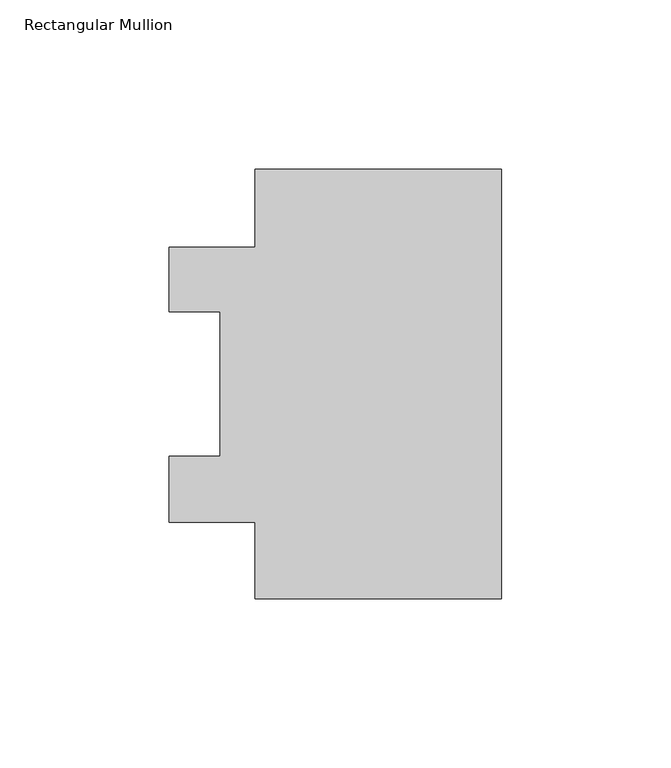
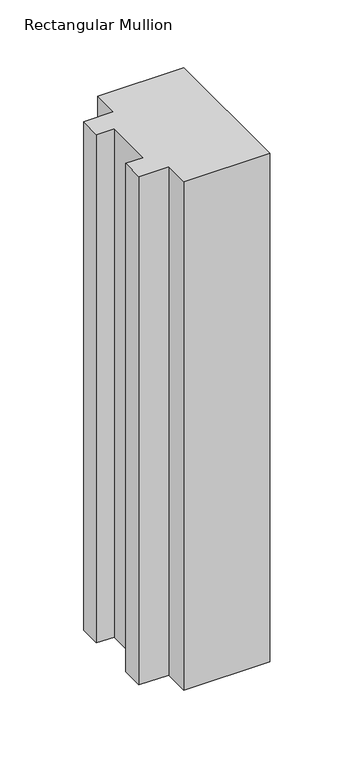
"""IFC4 building model written with IfcOpenShell, lengths in millimetres: member geometry, Rectangular Mullion."""

from ifc_helpers import new_model, si_unit, frame, origin, place, context, project, spatial, polyline, outline, extrude, source, transform, mapped, element, save


def rectangular_mullion_22aa75ae(model_context):
    return source(origin(), model_context, "Body", "SweptSolid", [
        extrude(outline(polyline([(0.0, 127.040532), (0.0, 0.040532), (-73.025, 0.040532), (-73.025, 22.59965), (-98.425, 22.59965), (-98.425, 42.08145), (-83.3374, 42.08145), (-83.3374, 84.93125), (-98.425, 84.93125), (-98.425, 103.98125), (-73.025, 103.98125), (-73.025, 127.040532), (0.0, 127.040532)])), frame((0.0, 0.0, -457.2), z_axis=(0.0, 0.0, 1.0), x_axis=(1.0, 0.0, 0.0)), (0.0, 0.0, 1.0), 457.2),
    ])


if __name__ == "__main__":
    model = new_model("IFC4")
    model_context = context("Model", 3, world=origin())
    ifc_project = project(units=[si_unit("LENGTHUNIT", "METRE", prefix="MILLI")], contexts=[model_context])
    site = spatial("IfcSite", under=ifc_project)
    building = spatial("IfcBuilding", under=site)
    placement = place(None, origin())
    rectangular_mullion_shape = rectangular_mullion_22aa75ae(model_context)
    element("IfcMember", 1, ObjectType="Rectangular Mullion", at=placement, inside=building, context=model_context, shape_type="MappedRepresentation", body=[
        mapped(rectangular_mullion_shape, transform((0.0, 0.0, 0.0), x_axis=(1.0, 0.0, 0.0), y_axis=(0.0, 1.0, 0.0), z_axis=(0.0, 0.0, 1.0))),
    ])
    save(model, "model.ifc")
